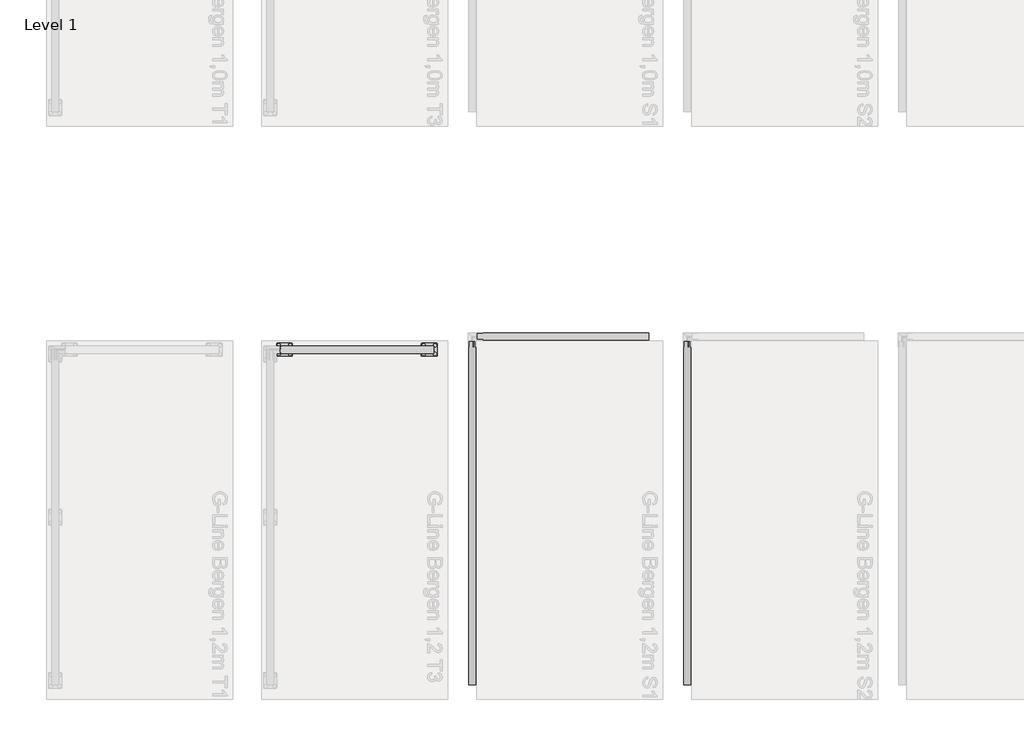
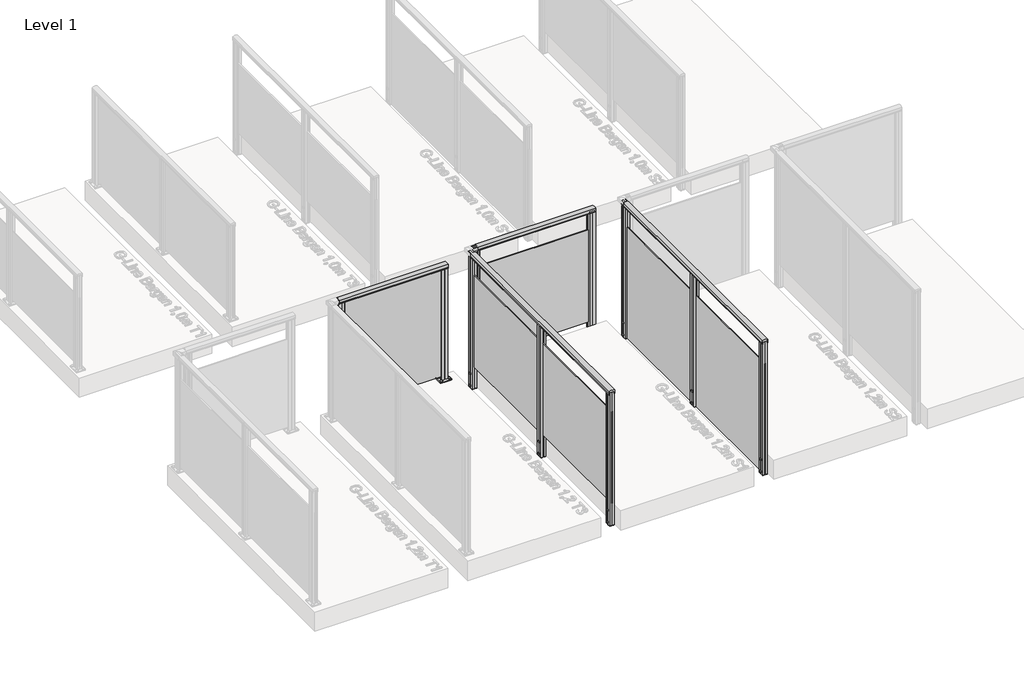
# One storey, part 3 of 13: 4 railings.
"""IFC4 building model written with IfcOpenShell, lengths in millimetres."""

from ifc_helpers import new_model, si_unit, point, frame, frame_2d, origin, origin_with_axes, place, context, project, spatial, polyline, circle_curve, trimmed, segment, composite_curve, outline, extrude, element, save

model = new_model("IFC4")

# Units and contexts
model_context = context("Model", 3, world=origin())
ifc_project = project(units=[si_unit("LENGTHUNIT", "METRE", prefix="MILLI")], contexts=[model_context])

# Site, building, storey
site = spatial("IfcSite", under=ifc_project)
building = spatial("IfcBuilding", under=site)
storey = spatial("IfcBuildingStorey", under=building, Name="Level 1", Elevation=0.0)

# Railings
placement = place(None, origin())
element("IfcRailing", 1, at=placement, inside=storey, context=model_context, shape_type="SweptSolid", body=[
    extrude(outline(composite_curve([segment(trimmed(circle_curve(frame_2d((-1700.3707264, 1142.6785502)), 57.3235687), [point((-1725.6256867, 1194.1390059))], [point((-1675.1060284, 1194.1342258))], False, "CARTESIAN"), True, "CONTINUOUS"), segment(polyline([(-1675.1060284, 1194.1342258), (-1675.1060284, 1167.0235023), (-1675.6879602, 1166.4415706), (-1675.0658791, 1165.8194895), (-1675.0658791, 1157.2498847), (-1676.870832, 1157.2498847), (-1676.870832, 1180.4998829), (-1723.8658782, 1180.4998829), (-1723.8658782, 1157.2498847), (-1725.6256867, 1157.2498847), (-1725.6256867, 1165.9694895), (-1725.0109037, 1166.5842725), (-1725.6256867, 1167.1990555), (-1725.6256867, 1194.1390059)]), True, "CONTINUOUS")], self_intersect=False)), frame((-4167.7109978, 0.0, 0.0), z_axis=(1.0, 0.0, 0.0), x_axis=(0.0, 1.0, 0.0)), (0.0, 0.0, 1.0), 1070.0),
    extrude(outline(polyline([(-3097.7109978, -1695.2659103), (-3097.7109978, -1704.0259103), (-4167.7109978, -1704.0259103), (-4167.7109978, -1695.2659103), (-3097.7109978, -1695.2659103)])), frame((0.0, 0.0, 40.0), z_axis=(0.0, 0.0, 1.0), x_axis=(1.0, 0.0, 0.0)), (0.0, 0.0, 1.0), 1140.0),
    extrude(outline(composite_curve([segment(trimmed(circle_curve(frame_2d((-4097.7109978, -1669.6459103)), 11.9621755), [point((-4097.7109978, -1657.6837349))], [point((-4097.7109978, -1681.6080858))], False, "CARTESIAN"), True, "CONTINUOUS"), segment(trimmed(circle_curve(frame_2d((-4097.7109978, -1669.6459103)), 11.9621755), [point((-4097.7109978, -1681.6080858))], [point((-4097.7109978, -1657.6837349))], False, "CARTESIAN"), True, "CONTINUOUS")], self_intersect=False)), frame((0.0, 0.0, 10.0), z_axis=(0.0, 0.0, 1.0), x_axis=(1.0, 0.0, 0.0)), (0.0, 0.0, 1.0), 5.0),
    extrude(outline(composite_curve([segment(trimmed(circle_curve(frame_2d((-4097.7109978, -1729.6459103)), 11.9621755), [point((-4097.7109978, -1717.6837349))], [point((-4097.7109978, -1741.6080858))], False, "CARTESIAN"), True, "CONTINUOUS"), segment(trimmed(circle_curve(frame_2d((-4097.7109978, -1729.6459103)), 11.9621755), [point((-4097.7109978, -1741.6080858))], [point((-4097.7109978, -1717.6837349))], False, "CARTESIAN"), True, "CONTINUOUS")], self_intersect=False)), frame((0.0, 0.0, 10.0), z_axis=(0.0, 0.0, 1.0), x_axis=(1.0, 0.0, 0.0)), (0.0, 0.0, 1.0), 5.0),
    extrude(outline(composite_curve([segment(trimmed(circle_curve(frame_2d((-4177.7109978, -1669.6459103)), 11.9621755), [point((-4177.7109978, -1657.6837349))], [point((-4177.7109978, -1681.6080858))], False, "CARTESIAN"), True, "CONTINUOUS"), segment(trimmed(circle_curve(frame_2d((-4177.7109978, -1669.6459103)), 11.9621755), [point((-4177.7109978, -1681.6080858))], [point((-4177.7109978, -1657.6837349))], False, "CARTESIAN"), True, "CONTINUOUS")], self_intersect=False)), frame((0.0, 0.0, 10.0), z_axis=(0.0, 0.0, 1.0), x_axis=(1.0, 0.0, 0.0)), (0.0, 0.0, 1.0), 5.0),
    extrude(outline(composite_curve([segment(trimmed(circle_curve(frame_2d((-4177.7109978, -1729.6459103)), 11.9621755), [point((-4177.7109978, -1717.6837349))], [point((-4177.7109978, -1741.6080858))], False, "CARTESIAN"), True, "CONTINUOUS"), segment(trimmed(circle_curve(frame_2d((-4177.7109978, -1729.6459103)), 11.9621755), [point((-4177.7109978, -1741.6080858))], [point((-4177.7109978, -1717.6837349))], False, "CARTESIAN"), True, "CONTINUOUS")], self_intersect=False)), frame((0.0, 0.0, 10.0), z_axis=(0.0, 0.0, 1.0), x_axis=(1.0, 0.0, 0.0)), (0.0, 0.0, 1.0), 5.0),
    extrude(outline(composite_curve([segment(trimmed(circle_curve(frame_2d((-4087.7109978, -1739.6459103)), 5.0), [point((-4082.7109978, -1739.6459103))], [point((-4087.7109978, -1744.6459103))], False, "CARTESIAN"), True, "CONTINUOUS"), segment(polyline([(-4087.7109978, -1744.6459103), (-4187.7109978, -1744.6459103)]), True, "CONTINUOUS"), segment(trimmed(circle_curve(frame_2d((-4187.7109978, -1739.6459103)), 5.0), [point((-4187.7109978, -1744.6459103))], [point((-4192.7109978, -1739.6459103))], False, "CARTESIAN"), True, "CONTINUOUS"), segment(polyline([(-4192.7109978, -1739.6459103), (-4192.7109978, -1659.6459103)]), True, "CONTINUOUS"), segment(trimmed(circle_curve(frame_2d((-4187.7109978, -1659.6459103)), 5.0), [point((-4192.7109978, -1659.6459103))], [point((-4187.7109978, -1654.6459103))], False, "CARTESIAN"), True, "CONTINUOUS"), segment(polyline([(-4187.7109978, -1654.6459103), (-4087.7109978, -1654.6459103)]), True, "CONTINUOUS"), segment(trimmed(circle_curve(frame_2d((-4087.7109978, -1659.6459103)), 5.0), [point((-4087.7109978, -1654.6459103))], [point((-4082.7109978, -1659.6459103))], False, "CARTESIAN"), True, "CONTINUOUS"), segment(polyline([(-4082.7109978, -1659.6459103), (-4082.7109978, -1739.6459103)]), True, "CONTINUOUS")], self_intersect=False), holes=[composite_curve([segment(trimmed(circle_curve(frame_2d((-4097.7109978, -1729.6459103)), 6.25), [point((-4097.7109978, -1723.3959103))], [point((-4097.7109978, -1735.8959103))], True, "CARTESIAN"), True, "CONTINUOUS"), segment(trimmed(circle_curve(frame_2d((-4097.7109978, -1729.6459103)), 6.25), [point((-4097.7109978, -1735.8959103))], [point((-4097.7109978, -1723.3959103))], True, "CARTESIAN"), True, "CONTINUOUS")], self_intersect=False), composite_curve([segment(trimmed(circle_curve(frame_2d((-4097.7109978, -1669.6459103)), 6.25), [point((-4097.7109978, -1663.3959103))], [point((-4097.7109978, -1675.8959103))], True, "CARTESIAN"), True, "CONTINUOUS"), segment(trimmed(circle_curve(frame_2d((-4097.7109978, -1669.6459103)), 6.25), [point((-4097.7109978, -1675.8959103))], [point((-4097.7109978, -1663.3959103))], True, "CARTESIAN"), True, "CONTINUOUS")], self_intersect=False), composite_curve([segment(trimmed(circle_curve(frame_2d((-4177.7109978, -1669.6459103)), 6.25), [point((-4177.7109978, -1663.3959103))], [point((-4177.7109978, -1675.8959103))], True, "CARTESIAN"), True, "CONTINUOUS"), segment(trimmed(circle_curve(frame_2d((-4177.7109978, -1669.6459103)), 6.25), [point((-4177.7109978, -1675.8959103))], [point((-4177.7109978, -1663.3959103))], True, "CARTESIAN"), True, "CONTINUOUS")], self_intersect=False), composite_curve([segment(trimmed(circle_curve(frame_2d((-4177.7109978, -1729.6459103)), 6.25), [point((-4177.7109978, -1723.3959103))], [point((-4177.7109978, -1735.8959103))], True, "CARTESIAN"), True, "CONTINUOUS"), segment(trimmed(circle_curve(frame_2d((-4177.7109978, -1729.6459103)), 6.25), [point((-4177.7109978, -1735.8959103))], [point((-4177.7109978, -1723.3959103))], True, "CARTESIAN"), True, "CONTINUOUS")], self_intersect=False)]), origin_with_axes(), (0.0, 0.0, 1.0), 10.0),
    extrude(outline(polyline([(-4167.7094047, -1695.3000484), (-4167.7120769, -1677.1550486), (-4138.7450899, -1677.1507826), (-4137.7166457, -1678.1789239), (-4136.7285472, -1677.1905343), (-4107.7120717, -1677.1862611), (-4107.7094054, -1695.2912122), (-4125.2094052, -1695.2937894), (-4125.2081151, -1704.0537893), (-4107.7081153, -1704.0512121), (-4107.7054505, -1722.1462119), (-4136.6724374, -1722.1504779), (-4137.7103053, -1721.2321455), (-4138.5884687, -1722.1105677), (-4167.7054557, -1722.1148557), (-4167.7081146, -1704.0600483), (-4150.2081148, -1704.0574711), (-4150.2094049, -1695.2974712), (-4167.7094047, -1695.3000484)]), holes=[polyline([(-4128.9117828, -1720.151926), (-4128.9117828, -1679.1493345), (-4146.5057446, -1679.1493345), (-4146.5057446, -1720.151926), (-4128.9117828, -1720.151926)]), polyline([(-4109.711783, -1693.2940398), (-4109.711783, -1679.1465069), (-4126.9096997, -1679.1465069), (-4126.9096997, -1693.2940398), (-4109.711783, -1693.2940398)]), polyline([(-4109.7078207, -1720.151926), (-4109.7078207, -1706.0515066), (-4126.9057444, -1706.0515066), (-4126.9057444, -1720.151926), (-4109.7078207, -1720.151926)]), polyline([(-4148.5117826, -1693.2997538), (-4148.5117826, -1679.152221), (-4165.7096993, -1679.152221), (-4165.7096993, -1693.2997538), (-4148.5117826, -1693.2997538)]), polyline([(-4148.5078203, -1720.2047536), (-4148.5078203, -1706.0572207), (-4165.705737, -1706.0572207), (-4165.705737, -1720.2047536), (-4148.5078203, -1720.2047536)])]), frame((0.0, 0.0, 10.0), z_axis=(0.0, 0.0, 1.0), x_axis=(1.0, 0.0, 0.0)), (0.0, 0.0, 1.0), 1171.0),
    extrude(outline(composite_curve([segment(trimmed(circle_curve(frame_2d((-3087.7109978, -1669.6459103)), 11.9621755), [point((-3087.7109978, -1657.6837349))], [point((-3087.7109978, -1681.6080858))], False, "CARTESIAN"), True, "CONTINUOUS"), segment(trimmed(circle_curve(frame_2d((-3087.7109978, -1669.6459103)), 11.9621755), [point((-3087.7109978, -1681.6080858))], [point((-3087.7109978, -1657.6837349))], False, "CARTESIAN"), True, "CONTINUOUS")], self_intersect=False)), frame((0.0, 0.0, 10.0), z_axis=(0.0, 0.0, 1.0), x_axis=(1.0, 0.0, 0.0)), (0.0, 0.0, 1.0), 5.0),
    extrude(outline(composite_curve([segment(trimmed(circle_curve(frame_2d((-3087.7109978, -1729.6459103)), 11.9621755), [point((-3087.7109978, -1717.6837349))], [point((-3087.7109978, -1741.6080858))], False, "CARTESIAN"), True, "CONTINUOUS"), segment(trimmed(circle_curve(frame_2d((-3087.7109978, -1729.6459103)), 11.9621755), [point((-3087.7109978, -1741.6080858))], [point((-3087.7109978, -1717.6837349))], False, "CARTESIAN"), True, "CONTINUOUS")], self_intersect=False)), frame((0.0, 0.0, 10.0), z_axis=(0.0, 0.0, 1.0), x_axis=(1.0, 0.0, 0.0)), (0.0, 0.0, 1.0), 5.0),
    extrude(outline(composite_curve([segment(trimmed(circle_curve(frame_2d((-3167.7109978, -1669.6459103)), 11.9621755), [point((-3167.7109978, -1657.6837349))], [point((-3167.7109978, -1681.6080858))], False, "CARTESIAN"), True, "CONTINUOUS"), segment(trimmed(circle_curve(frame_2d((-3167.7109978, -1669.6459103)), 11.9621755), [point((-3167.7109978, -1681.6080858))], [point((-3167.7109978, -1657.6837349))], False, "CARTESIAN"), True, "CONTINUOUS")], self_intersect=False)), frame((0.0, 0.0, 10.0), z_axis=(0.0, 0.0, 1.0), x_axis=(1.0, 0.0, 0.0)), (0.0, 0.0, 1.0), 5.0),
    extrude(outline(composite_curve([segment(trimmed(circle_curve(frame_2d((-3167.7109978, -1729.6459103)), 11.9621755), [point((-3167.7109978, -1717.6837349))], [point((-3167.7109978, -1741.6080858))], False, "CARTESIAN"), True, "CONTINUOUS"), segment(trimmed(circle_curve(frame_2d((-3167.7109978, -1729.6459103)), 11.9621755), [point((-3167.7109978, -1741.6080858))], [point((-3167.7109978, -1717.6837349))], False, "CARTESIAN"), True, "CONTINUOUS")], self_intersect=False)), frame((0.0, 0.0, 10.0), z_axis=(0.0, 0.0, 1.0), x_axis=(1.0, 0.0, 0.0)), (0.0, 0.0, 1.0), 5.0),
    extrude(outline(composite_curve([segment(trimmed(circle_curve(frame_2d((-3077.7109978, -1739.6459103)), 5.0), [point((-3072.7109978, -1739.6459103))], [point((-3077.7109978, -1744.6459103))], False, "CARTESIAN"), True, "CONTINUOUS"), segment(polyline([(-3077.7109978, -1744.6459103), (-3177.7109978, -1744.6459103)]), True, "CONTINUOUS"), segment(trimmed(circle_curve(frame_2d((-3177.7109978, -1739.6459103)), 5.0), [point((-3177.7109978, -1744.6459103))], [point((-3182.7109978, -1739.6459103))], False, "CARTESIAN"), True, "CONTINUOUS"), segment(polyline([(-3182.7109978, -1739.6459103), (-3182.7109978, -1659.6459103)]), True, "CONTINUOUS"), segment(trimmed(circle_curve(frame_2d((-3177.7109978, -1659.6459103)), 5.0), [point((-3182.7109978, -1659.6459103))], [point((-3177.7109978, -1654.6459103))], False, "CARTESIAN"), True, "CONTINUOUS"), segment(polyline([(-3177.7109978, -1654.6459103), (-3077.7109978, -1654.6459103)]), True, "CONTINUOUS"), segment(trimmed(circle_curve(frame_2d((-3077.7109978, -1659.6459103)), 5.0), [point((-3077.7109978, -1654.6459103))], [point((-3072.7109978, -1659.6459103))], False, "CARTESIAN"), True, "CONTINUOUS"), segment(polyline([(-3072.7109978, -1659.6459103), (-3072.7109978, -1739.6459103)]), True, "CONTINUOUS")], self_intersect=False), holes=[composite_curve([segment(trimmed(circle_curve(frame_2d((-3087.7109978, -1729.6459103)), 6.25), [point((-3087.7109978, -1723.3959103))], [point((-3087.7109978, -1735.8959103))], True, "CARTESIAN"), True, "CONTINUOUS"), segment(trimmed(circle_curve(frame_2d((-3087.7109978, -1729.6459103)), 6.25), [point((-3087.7109978, -1735.8959103))], [point((-3087.7109978, -1723.3959103))], True, "CARTESIAN"), True, "CONTINUOUS")], self_intersect=False), composite_curve([segment(trimmed(circle_curve(frame_2d((-3087.7109978, -1669.6459103)), 6.25), [point((-3087.7109978, -1663.3959103))], [point((-3087.7109978, -1675.8959103))], True, "CARTESIAN"), True, "CONTINUOUS"), segment(trimmed(circle_curve(frame_2d((-3087.7109978, -1669.6459103)), 6.25), [point((-3087.7109978, -1675.8959103))], [point((-3087.7109978, -1663.3959103))], True, "CARTESIAN"), True, "CONTINUOUS")], self_intersect=False), composite_curve([segment(trimmed(circle_curve(frame_2d((-3167.7109978, -1669.6459103)), 6.25), [point((-3167.7109978, -1663.3959103))], [point((-3167.7109978, -1675.8959103))], True, "CARTESIAN"), True, "CONTINUOUS"), segment(trimmed(circle_curve(frame_2d((-3167.7109978, -1669.6459103)), 6.25), [point((-3167.7109978, -1675.8959103))], [point((-3167.7109978, -1663.3959103))], True, "CARTESIAN"), True, "CONTINUOUS")], self_intersect=False), composite_curve([segment(trimmed(circle_curve(frame_2d((-3167.7109978, -1729.6459103)), 6.25), [point((-3167.7109978, -1723.3959103))], [point((-3167.7109978, -1735.8959103))], True, "CARTESIAN"), True, "CONTINUOUS"), segment(trimmed(circle_curve(frame_2d((-3167.7109978, -1729.6459103)), 6.25), [point((-3167.7109978, -1735.8959103))], [point((-3167.7109978, -1723.3959103))], True, "CARTESIAN"), True, "CONTINUOUS")], self_intersect=False)]), origin_with_axes(), (0.0, 0.0, 1.0), 10.0),
    extrude(outline(polyline([(-3157.7094047, -1695.3000484), (-3157.7120769, -1677.1550486), (-3128.7450899, -1677.1507826), (-3127.7166457, -1678.1789239), (-3126.7285472, -1677.1905343), (-3097.7120717, -1677.1862611), (-3097.7094054, -1695.2912122), (-3115.2094052, -1695.2937894), (-3115.2081151, -1704.0537893), (-3097.7081153, -1704.0512121), (-3097.7054505, -1722.1462119), (-3126.6724374, -1722.1504779), (-3127.7103053, -1721.2321455), (-3128.5884687, -1722.1105677), (-3157.7054557, -1722.1148557), (-3157.7081146, -1704.0600483), (-3140.2081148, -1704.0574711), (-3140.2094049, -1695.2974712), (-3157.7094047, -1695.3000484)]), holes=[polyline([(-3118.9117828, -1720.151926), (-3118.9117828, -1679.1493345), (-3136.5057446, -1679.1493345), (-3136.5057446, -1720.151926), (-3118.9117828, -1720.151926)]), polyline([(-3099.711783, -1693.2940398), (-3099.711783, -1679.1465069), (-3116.9096997, -1679.1465069), (-3116.9096997, -1693.2940398), (-3099.711783, -1693.2940398)]), polyline([(-3099.7078207, -1720.151926), (-3099.7078207, -1706.0515066), (-3116.9057444, -1706.0515066), (-3116.9057444, -1720.151926), (-3099.7078207, -1720.151926)]), polyline([(-3138.5117826, -1693.2997538), (-3138.5117826, -1679.152221), (-3155.7096993, -1679.152221), (-3155.7096993, -1693.2997538), (-3138.5117826, -1693.2997538)]), polyline([(-3138.5078203, -1720.2047536), (-3138.5078203, -1706.0572207), (-3155.705737, -1706.0572207), (-3155.705737, -1720.2047536), (-3138.5078203, -1720.2047536)])]), frame((0.0, 0.0, 10.0), z_axis=(0.0, 0.0, 1.0), x_axis=(1.0, 0.0, 0.0)), (0.0, 0.0, 1.0), 1171.0),
])
element("IfcRailing", 2, at=placement, inside=storey, context=model_context, shape_type="SweptSolid", body=[
    extrude(outline(composite_curve([segment(trimmed(circle_curve(frame_2d((-1608.9305341, 1142.6785502)), 57.3235687), [point((-1634.1854943, 1194.1390059))], [point((-1583.6658361, 1194.1342258))], False, "CARTESIAN"), True, "CONTINUOUS"), segment(polyline([(-1583.6658361, 1194.1342258), (-1583.6658361, 1167.0235023), (-1584.2477678, 1166.4415706), (-1583.6256867, 1165.8194895), (-1583.6256867, 1157.2498847), (-1585.4306396, 1157.2498847), (-1585.4306396, 1180.4998829), (-1632.4256858, 1180.4998829), (-1632.4256858, 1157.2498847), (-1634.1854943, 1157.2498847), (-1634.1854943, 1165.9694895), (-1633.5707113, 1166.5842725), (-1634.1854943, 1167.1990555), (-1634.1854943, 1194.1390059)]), True, "CONTINUOUS")], self_intersect=False)), frame((-2792.7109978, 0.0, 0.0), z_axis=(1.0, 0.0, 0.0), x_axis=(0.0, 1.0, 0.0)), (0.0, 0.0, 1.0), 1195.0),
    extrude(outline(polyline([(-1597.7109978, -1605.2659103), (-1597.7109978, -1614.0259103), (-2792.7109978, -1614.0259103), (-2792.7109978, -1605.2659103), (-1597.7109978, -1605.2659103)])), frame((0.0, 0.0, 28.0), z_axis=(0.0, 0.0, 1.0), x_axis=(1.0, 0.0, 0.0)), (0.0, 0.0, 1.0), 952.0),
    extrude(outline(polyline([(-2792.7094047, -1613.9917723), (-2775.2094049, -1613.9943495), (-2775.2081148, -1605.2343496), (-2792.7081146, -1605.2317724), (-2792.7054557, -1587.176965), (-2763.5884687, -1587.181253), (-2762.7103053, -1588.0596751), (-2761.6724374, -1587.1413428), (-2732.7054505, -1587.1456087), (-2732.7081153, -1605.2406085), (-2750.2081151, -1605.2380313), (-2750.2094052, -1613.9980312), (-2732.7094054, -1614.0006084), (-2732.7120717, -1632.1055595), (-2761.7285472, -1632.1012863), (-2762.7166457, -1631.1128967), (-2763.7450899, -1632.141038), (-2792.7120769, -1632.1367721), (-2792.7094047, -1613.9917723)]), holes=[polyline([(-2753.9117828, -1589.1398947), (-2771.5057446, -1589.1398947), (-2771.5057446, -1630.1424862), (-2753.9117828, -1630.1424862), (-2753.9117828, -1589.1398947)]), polyline([(-2734.711783, -1615.9977809), (-2751.9096997, -1615.9977809), (-2751.9096997, -1630.1453137), (-2734.711783, -1630.1453137), (-2734.711783, -1615.9977809)]), polyline([(-2734.7078207, -1589.1398947), (-2751.9057444, -1589.1398947), (-2751.9057444, -1603.240314), (-2734.7078207, -1603.240314), (-2734.7078207, -1589.1398947)]), polyline([(-2773.5117826, -1615.9920668), (-2790.7096993, -1615.9920668), (-2790.7096993, -1630.1395997), (-2773.5117826, -1630.1395997), (-2773.5117826, -1615.9920668)]), polyline([(-2773.5078203, -1589.0870671), (-2790.705737, -1589.0870671), (-2790.705737, -1603.2346), (-2773.5078203, -1603.2346), (-2773.5078203, -1589.0870671)])]), frame((0.0, 0.0, -200.0), z_axis=(0.0, 0.0, 1.0), x_axis=(1.0, 0.0, 0.0)), (0.0, 0.0, 1.0), 1381.0),
    extrude(outline(polyline([(-2792.7094047, -1613.9917723), (-2775.2094049, -1613.9943495), (-2775.2081148, -1605.2343496), (-2792.7081146, -1605.2317724), (-2792.7054557, -1587.176965), (-2763.5884687, -1587.181253), (-2762.7103053, -1588.0596751), (-2761.6724374, -1587.1413428), (-2732.7054505, -1587.1456087), (-2732.7081153, -1605.2406085), (-2750.2081151, -1605.2380313), (-2750.2094052, -1613.9980312), (-2732.7094054, -1614.0006084), (-2732.7120717, -1632.1055595), (-2761.7285472, -1632.1012863), (-2762.7166457, -1631.1128967), (-2763.7450899, -1632.141038), (-2792.7120769, -1632.1367721), (-2792.7094047, -1613.9917723)])), frame((0.0, 0.0, -202.0233958), z_axis=(0.0, 0.0, 1.0), x_axis=(1.0, 0.0, 0.0)), (0.0, 0.0, 1.0), 2.0),
    extrude(outline(composite_curve([segment(trimmed(circle_curve(frame_2d((0.0, 12.0)), 12.0), [point((0.0, 24.0))], [point((0.0, 0.0))], False, "CARTESIAN"), True, "CONTINUOUS"), segment(trimmed(circle_curve(frame_2d((0.0, 12.0)), 12.0), [point((0.0, 0.0))], [point((0.0, 24.0))], False, "CARTESIAN"), True, "CONTINUOUS")], self_intersect=False)), frame((-2750.7019602, -1587.1864452, -175.0), z_axis=(0.00040291834470155966, 0.9999999188284006, 0.0), x_axis=(0.0, 0.0, -1.0)), (0.0, 0.0, 1.0), 3.0757477),
    extrude(outline(composite_curve([segment(trimmed(circle_curve(frame_2d((0.0, 12.0)), 12.0), [point((0.0, 24.0))], [point((0.0, 0.0))], False, "CARTESIAN"), True, "CONTINUOUS"), segment(trimmed(circle_curve(frame_2d((0.0, 12.0)), 12.0), [point((0.0, 0.0))], [point((0.0, 24.0))], False, "CARTESIAN"), True, "CONTINUOUS")], self_intersect=False)), frame((-2750.7019602, -1587.1864452, -50.0), z_axis=(0.00040291834470155966, 0.9999999188284006, 0.0), x_axis=(0.0, 0.0, -1.0)), (0.0, 0.0, 1.0), 3.0757477),
    extrude(outline(polyline([(-1657.7094047, -1613.9917723), (-1640.2094049, -1613.9943495), (-1640.2081148, -1605.2343496), (-1657.7081146, -1605.2317724), (-1657.7054557, -1587.176965), (-1628.5884687, -1587.181253), (-1627.7103053, -1588.0596751), (-1626.6724374, -1587.1413428), (-1597.7054505, -1587.1456087), (-1597.7081153, -1605.2406085), (-1615.2081151, -1605.2380313), (-1615.2094052, -1613.9980312), (-1597.7094054, -1614.0006084), (-1597.7120717, -1632.1055595), (-1626.7285472, -1632.1012863), (-1627.7166457, -1631.1128967), (-1628.7450899, -1632.141038), (-1657.7120769, -1632.1367721), (-1657.7094047, -1613.9917723)]), holes=[polyline([(-1618.9117828, -1589.1398947), (-1636.5057446, -1589.1398947), (-1636.5057446, -1630.1424862), (-1618.9117828, -1630.1424862), (-1618.9117828, -1589.1398947)]), polyline([(-1599.711783, -1615.9977809), (-1616.9096997, -1615.9977809), (-1616.9096997, -1630.1453137), (-1599.711783, -1630.1453137), (-1599.711783, -1615.9977809)]), polyline([(-1599.7078207, -1589.1398947), (-1616.9057444, -1589.1398947), (-1616.9057444, -1603.240314), (-1599.7078207, -1603.240314), (-1599.7078207, -1589.1398947)]), polyline([(-1638.5117826, -1615.9920668), (-1655.7096993, -1615.9920668), (-1655.7096993, -1630.1395997), (-1638.5117826, -1630.1395997), (-1638.5117826, -1615.9920668)]), polyline([(-1638.5078203, -1589.0870671), (-1655.705737, -1589.0870671), (-1655.705737, -1603.2346), (-1638.5078203, -1603.2346), (-1638.5078203, -1589.0870671)])]), frame((0.0, 0.0, -200.0), z_axis=(0.0, 0.0, 1.0), x_axis=(1.0, 0.0, 0.0)), (0.0, 0.0, 1.0), 1381.0),
    extrude(outline(polyline([(-1657.7094047, -1613.9917723), (-1640.2094049, -1613.9943495), (-1640.2081148, -1605.2343496), (-1657.7081146, -1605.2317724), (-1657.7054557, -1587.176965), (-1628.5884687, -1587.181253), (-1627.7103053, -1588.0596751), (-1626.6724374, -1587.1413428), (-1597.7054505, -1587.1456087), (-1597.7081153, -1605.2406085), (-1615.2081151, -1605.2380313), (-1615.2094052, -1613.9980312), (-1597.7094054, -1614.0006084), (-1597.7120717, -1632.1055595), (-1626.7285472, -1632.1012863), (-1627.7166457, -1631.1128967), (-1628.7450899, -1632.141038), (-1657.7120769, -1632.1367721), (-1657.7094047, -1613.9917723)])), frame((0.0, 0.0, -202.0233958), z_axis=(0.0, 0.0, 1.0), x_axis=(1.0, 0.0, 0.0)), (0.0, 0.0, 1.0), 2.0),
    extrude(outline(composite_curve([segment(trimmed(circle_curve(frame_2d((0.0, 12.0)), 12.0), [point((0.0, 24.0))], [point((0.0, 0.0))], False, "CARTESIAN"), True, "CONTINUOUS"), segment(trimmed(circle_curve(frame_2d((0.0, 12.0)), 12.0), [point((0.0, 0.0))], [point((0.0, 24.0))], False, "CARTESIAN"), True, "CONTINUOUS")], self_intersect=False)), frame((-1615.7019602, -1587.1864452, -175.0), z_axis=(0.00040291834470155966, 0.9999999188284006, 0.0), x_axis=(0.0, 0.0, -1.0)), (0.0, 0.0, 1.0), 3.0757477),
    extrude(outline(composite_curve([segment(trimmed(circle_curve(frame_2d((0.0, 12.0)), 12.0), [point((0.0, 24.0))], [point((0.0, 0.0))], False, "CARTESIAN"), True, "CONTINUOUS"), segment(trimmed(circle_curve(frame_2d((0.0, 12.0)), 12.0), [point((0.0, 0.0))], [point((0.0, 24.0))], False, "CARTESIAN"), True, "CONTINUOUS")], self_intersect=False)), frame((-1615.7019602, -1587.1864452, -50.0), z_axis=(0.00040291834470155966, 0.9999999188284006, 0.0), x_axis=(0.0, 0.0, -1.0)), (0.0, 0.0, 1.0), 3.0757477),
])
element("IfcRailing", 3, at=placement, inside=storey, context=model_context, shape_type="SweptSolid", body=[
    extrude(outline(composite_curve([segment(trimmed(circle_curve(frame_2d((57.3214498, -0.0047199)), 57.3235687), [point((5.8609941, -25.2596802))], [point((5.8657742, 25.2599781))], False, "CARTESIAN"), True, "CONTINUOUS"), segment(polyline([(5.8657742, 25.2599781), (32.9764977, 25.2599781), (33.5584294, 24.6780463), (34.1805105, 25.3001274), (42.7501153, 25.3001274), (42.7501153, 23.4951745), (19.5001171, 23.4951745), (19.5001171, -23.4998716), (42.7501153, -23.4998716), (42.7501153, -25.2596802), (34.0305105, -25.2596802), (33.4157275, -24.6448972), (32.8009445, -25.2596802), (5.8609941, -25.2596802)]), True, "CONTINUOUS")], self_intersect=False)), frame((-2828.431094, -4039.6459103, 1200.0), z_axis=(1.9358301858992035e-12, 1.0, 0.0), x_axis=(0.0, 0.0, -1.0)), (0.0, 0.0, 1.0), 2395.0),
    extrude(outline(polyline([(-2832.0909978, -1644.6459103), (-2823.3309978, -1644.6459103), (-2823.3309978, -4039.6459103), (-2832.0909978, -4039.6459103), (-2832.0909978, -1644.6459103)])), frame((0.0, 0.0, 28.0), z_axis=(0.0, 0.0, 1.0), x_axis=(1.0, 0.0, 0.0)), (0.0, 0.0, 1.0), 952.0),
    extrude(outline(polyline([(-2823.3651358, -2872.1443172), (-2823.3625586, -2854.6443174), (-2832.1225585, -2854.6430273), (-2832.1251357, -2872.1430272), (-2850.1799432, -2872.1403682), (-2850.1756551, -2843.0233813), (-2849.297233, -2842.1452178), (-2850.2155653, -2841.10735), (-2850.2112994, -2812.140363), (-2832.1162996, -2812.1430278), (-2832.1188768, -2829.6430276), (-2823.3588769, -2829.6443177), (-2823.3562997, -2812.1443179), (-2805.2513486, -2812.1469842), (-2805.2556218, -2841.1634597), (-2806.2440114, -2842.1515582), (-2805.2158701, -2843.1800024), (-2805.220136, -2872.1469894), (-2823.3651358, -2872.1443172)]), holes=[polyline([(-2848.2170135, -2833.3466953), (-2848.2170135, -2850.9406571), (-2807.214422, -2850.9406571), (-2807.214422, -2833.3466953), (-2848.2170135, -2833.3466953)]), polyline([(-2821.3591273, -2814.1466955), (-2821.3591273, -2831.3446122), (-2807.2115944, -2831.3446122), (-2807.2115944, -2814.1466955), (-2821.3591273, -2814.1466955)]), polyline([(-2848.2170135, -2814.1427333), (-2848.2170135, -2831.3406569), (-2834.1165941, -2831.3406569), (-2834.1165941, -2814.1427333), (-2848.2170135, -2814.1427333)]), polyline([(-2821.3648413, -2852.9466951), (-2821.3648413, -2870.1446118), (-2807.2173084, -2870.1446118), (-2807.2173084, -2852.9466951), (-2821.3648413, -2852.9466951)]), polyline([(-2848.269841, -2852.9427328), (-2848.269841, -2870.1406495), (-2834.1223082, -2870.1406495), (-2834.1223082, -2852.9427328), (-2848.269841, -2852.9427328)])]), frame((0.0, 0.0, -200.0), z_axis=(0.0, 0.0, 1.0), x_axis=(1.0, 0.0, 0.0)), (0.0, 0.0, 1.0), 1381.0),
    extrude(outline(polyline([(-2823.3651358, -2872.1443172), (-2823.3625586, -2854.6443174), (-2832.1225585, -2854.6430273), (-2832.1251357, -2872.1430272), (-2850.1799432, -2872.1403682), (-2850.1756551, -2843.0233813), (-2849.297233, -2842.1452178), (-2850.2155653, -2841.10735), (-2850.2112994, -2812.140363), (-2832.1162996, -2812.1430278), (-2832.1188768, -2829.6430276), (-2823.3588769, -2829.6443177), (-2823.3562997, -2812.1443179), (-2805.2513486, -2812.1469842), (-2805.2556218, -2841.1634597), (-2806.2440114, -2842.1515582), (-2805.2158701, -2843.1800024), (-2805.220136, -2872.1469894), (-2823.3651358, -2872.1443172)])), frame((0.0, 0.0, -202.0233958), z_axis=(0.0, 0.0, 1.0), x_axis=(1.0, 0.0, 0.0)), (0.0, 0.0, 1.0), 2.0),
    extrude(outline(composite_curve([segment(trimmed(circle_curve(frame_2d((0.0, 12.0000001)), 12.0), [point((0.0, 24.0))], [point((0.0, 0.0))], False, "CARTESIAN"), True, "CONTINUOUS"), segment(trimmed(circle_curve(frame_2d((0.0, 12.0000001)), 12.0), [point((0.0, 0.0))], [point((0.0, 24.0))], False, "CARTESIAN"), True, "CONTINUOUS")], self_intersect=False)), frame((-2850.1704629, -2830.1368727, -175.0), z_axis=(-0.9999999188283998, 0.0004029183466235713, 0.0), x_axis=(0.0, 0.0, -1.0)), (0.0, 0.0, 1.0), 3.0757477),
    extrude(outline(composite_curve([segment(trimmed(circle_curve(frame_2d((0.0, 12.0000001)), 12.0), [point((0.0, 24.0))], [point((0.0, 0.0))], False, "CARTESIAN"), True, "CONTINUOUS"), segment(trimmed(circle_curve(frame_2d((0.0, 12.0000001)), 12.0), [point((0.0, 0.0))], [point((0.0, 24.0))], False, "CARTESIAN"), True, "CONTINUOUS")], self_intersect=False)), frame((-2850.1704629, -2830.1368727, -50.0), z_axis=(-0.9999999188283998, 0.0004029183466235713, 0.0), x_axis=(0.0, 0.0, -1.0)), (0.0, 0.0, 1.0), 3.0757477),
    extrude(outline(polyline([(-2823.3651358, -4039.6443172), (-2823.3625586, -4022.1443174), (-2832.1225585, -4022.1430273), (-2832.1251357, -4039.6430272), (-2850.1799432, -4039.6403682), (-2850.1756551, -4010.5233813), (-2849.297233, -4009.6452178), (-2850.2155653, -4008.60735), (-2850.2112994, -3979.640363), (-2832.1162996, -3979.6430278), (-2832.1188768, -3997.1430276), (-2823.3588769, -3997.1443177), (-2823.3562997, -3979.6443179), (-2805.2513486, -3979.6469842), (-2805.2556218, -4008.6634597), (-2806.2440114, -4009.6515582), (-2805.2158701, -4010.6800024), (-2805.220136, -4039.6469894), (-2823.3651358, -4039.6443172)]), holes=[polyline([(-2848.2170135, -4000.8466953), (-2848.2170135, -4018.4406571), (-2807.214422, -4018.4406571), (-2807.214422, -4000.8466953), (-2848.2170135, -4000.8466953)]), polyline([(-2821.3591273, -3981.6466955), (-2821.3591273, -3998.8446122), (-2807.2115944, -3998.8446122), (-2807.2115944, -3981.6466955), (-2821.3591273, -3981.6466955)]), polyline([(-2848.2170135, -3981.6427333), (-2848.2170135, -3998.8406569), (-2834.1165941, -3998.8406569), (-2834.1165941, -3981.6427333), (-2848.2170135, -3981.6427333)]), polyline([(-2821.3648413, -4020.4466951), (-2821.3648413, -4037.6446118), (-2807.2173084, -4037.6446118), (-2807.2173084, -4020.4466951), (-2821.3648413, -4020.4466951)]), polyline([(-2848.269841, -4020.4427328), (-2848.269841, -4037.6406495), (-2834.1223082, -4037.6406495), (-2834.1223082, -4020.4427328), (-2848.269841, -4020.4427328)])]), frame((0.0, 0.0, -200.0), z_axis=(0.0, 0.0, 1.0), x_axis=(1.0, 0.0, 0.0)), (0.0, 0.0, 1.0), 1381.0),
    extrude(outline(polyline([(-2823.3651358, -4039.6443172), (-2823.3625586, -4022.1443174), (-2832.1225585, -4022.1430273), (-2832.1251357, -4039.6430272), (-2850.1799432, -4039.6403682), (-2850.1756551, -4010.5233813), (-2849.297233, -4009.6452178), (-2850.2155653, -4008.60735), (-2850.2112994, -3979.640363), (-2832.1162996, -3979.6430278), (-2832.1188768, -3997.1430276), (-2823.3588769, -3997.1443177), (-2823.3562997, -3979.6443179), (-2805.2513486, -3979.6469842), (-2805.2556218, -4008.6634597), (-2806.2440114, -4009.6515582), (-2805.2158701, -4010.6800024), (-2805.220136, -4039.6469894), (-2823.3651358, -4039.6443172)])), frame((0.0, 0.0, -202.0233958), z_axis=(0.0, 0.0, 1.0), x_axis=(1.0, 0.0, 0.0)), (0.0, 0.0, 1.0), 2.0),
    extrude(outline(composite_curve([segment(trimmed(circle_curve(frame_2d((0.0, 12.0000001)), 12.0), [point((0.0, 24.0))], [point((0.0, 0.0))], False, "CARTESIAN"), True, "CONTINUOUS"), segment(trimmed(circle_curve(frame_2d((0.0, 12.0000001)), 12.0), [point((0.0, 0.0))], [point((0.0, 24.0))], False, "CARTESIAN"), True, "CONTINUOUS")], self_intersect=False)), frame((-2850.1704629, -3997.6368727, -175.0), z_axis=(-0.9999999188283998, 0.0004029183466235713, 0.0), x_axis=(0.0, 0.0, -1.0)), (0.0, 0.0, 1.0), 3.0757477),
    extrude(outline(composite_curve([segment(trimmed(circle_curve(frame_2d((0.0, 12.0000001)), 12.0), [point((0.0, 24.0))], [point((0.0, 0.0))], False, "CARTESIAN"), True, "CONTINUOUS"), segment(trimmed(circle_curve(frame_2d((0.0, 12.0000001)), 12.0), [point((0.0, 0.0))], [point((0.0, 24.0))], False, "CARTESIAN"), True, "CONTINUOUS")], self_intersect=False)), frame((-2850.1704629, -3997.6368727, -50.0), z_axis=(-0.9999999188283998, 0.0004029183466235713, 0.0), x_axis=(0.0, 0.0, -1.0)), (0.0, 0.0, 1.0), 3.0757477),
    extrude(outline(polyline([(-2823.3651358, -1704.6443172), (-2823.3625586, -1687.1443174), (-2832.1225585, -1687.1430273), (-2832.1251357, -1704.6430272), (-2850.1799432, -1704.6403682), (-2850.1756551, -1675.5233813), (-2849.297233, -1674.6452178), (-2850.2155653, -1673.60735), (-2850.2112994, -1644.640363), (-2832.1162996, -1644.6430278), (-2832.1188768, -1662.1430276), (-2823.3588769, -1662.1443177), (-2823.3562997, -1644.6443179), (-2805.2513486, -1644.6469842), (-2805.2556218, -1673.6634597), (-2806.2440114, -1674.6515582), (-2805.2158701, -1675.6800024), (-2805.220136, -1704.6469894), (-2823.3651358, -1704.6443172)]), holes=[polyline([(-2848.2170135, -1665.8466953), (-2848.2170135, -1683.4406571), (-2807.214422, -1683.4406571), (-2807.214422, -1665.8466953), (-2848.2170135, -1665.8466953)]), polyline([(-2821.3591273, -1646.6466955), (-2821.3591273, -1663.8446122), (-2807.2115944, -1663.8446122), (-2807.2115944, -1646.6466955), (-2821.3591273, -1646.6466955)]), polyline([(-2848.2170135, -1646.6427333), (-2848.2170135, -1663.8406569), (-2834.1165941, -1663.8406569), (-2834.1165941, -1646.6427333), (-2848.2170135, -1646.6427333)]), polyline([(-2821.3648413, -1685.4466951), (-2821.3648413, -1702.6446118), (-2807.2173084, -1702.6446118), (-2807.2173084, -1685.4466951), (-2821.3648413, -1685.4466951)]), polyline([(-2848.269841, -1685.4427328), (-2848.269841, -1702.6406495), (-2834.1223082, -1702.6406495), (-2834.1223082, -1685.4427328), (-2848.269841, -1685.4427328)])]), frame((0.0, 0.0, -200.0), z_axis=(0.0, 0.0, 1.0), x_axis=(1.0, 0.0, 0.0)), (0.0, 0.0, 1.0), 1381.0),
    extrude(outline(polyline([(-2823.3651358, -1704.6443172), (-2823.3625586, -1687.1443174), (-2832.1225585, -1687.1430273), (-2832.1251357, -1704.6430272), (-2850.1799432, -1704.6403682), (-2850.1756551, -1675.5233813), (-2849.297233, -1674.6452178), (-2850.2155653, -1673.60735), (-2850.2112994, -1644.640363), (-2832.1162996, -1644.6430278), (-2832.1188768, -1662.1430276), (-2823.3588769, -1662.1443177), (-2823.3562997, -1644.6443179), (-2805.2513486, -1644.6469842), (-2805.2556218, -1673.6634597), (-2806.2440114, -1674.6515582), (-2805.2158701, -1675.6800024), (-2805.220136, -1704.6469894), (-2823.3651358, -1704.6443172)])), frame((0.0, 0.0, -202.0233958), z_axis=(0.0, 0.0, 1.0), x_axis=(1.0, 0.0, 0.0)), (0.0, 0.0, 1.0), 2.0),
    extrude(outline(composite_curve([segment(trimmed(circle_curve(frame_2d((0.0, 12.0000001)), 12.0), [point((0.0, 24.0))], [point((0.0, 0.0))], False, "CARTESIAN"), True, "CONTINUOUS"), segment(trimmed(circle_curve(frame_2d((0.0, 12.0000001)), 12.0), [point((0.0, 0.0))], [point((0.0, 24.0))], False, "CARTESIAN"), True, "CONTINUOUS")], self_intersect=False)), frame((-2850.1704629, -1662.6368727, -175.0), z_axis=(-0.9999999188283998, 0.0004029183466235713, 0.0), x_axis=(0.0, 0.0, -1.0)), (0.0, 0.0, 1.0), 3.0757477),
    extrude(outline(composite_curve([segment(trimmed(circle_curve(frame_2d((0.0, 12.0000001)), 12.0), [point((0.0, 24.0))], [point((0.0, 0.0))], False, "CARTESIAN"), True, "CONTINUOUS"), segment(trimmed(circle_curve(frame_2d((0.0, 12.0000001)), 12.0), [point((0.0, 0.0))], [point((0.0, 24.0))], False, "CARTESIAN"), True, "CONTINUOUS")], self_intersect=False)), frame((-2850.1704629, -1662.6368727, -50.0), z_axis=(-0.9999999188283998, 0.0004029183466235713, 0.0), x_axis=(0.0, 0.0, -1.0)), (0.0, 0.0, 1.0), 3.0757477),
])
element("IfcRailing", 4, at=placement, inside=storey, context=model_context, shape_type="SweptSolid", body=[
    extrude(outline(composite_curve([segment(trimmed(circle_curve(frame_2d((57.3214498, -0.0047199)), 57.3235687), [point((5.8609941, -25.2596802))], [point((5.8657742, 25.2599781))], False, "CARTESIAN"), True, "CONTINUOUS"), segment(polyline([(5.8657742, 25.2599781), (32.9764977, 25.2599781), (33.5584294, 24.6780463), (34.1805105, 25.3001274), (42.7501153, 25.3001274), (42.7501153, 23.4951745), (19.5001171, 23.4951745), (19.5001171, -23.4998716), (42.7501153, -23.4998716), (42.7501153, -25.2596802), (34.0305105, -25.2596802), (33.4157275, -24.6448972), (32.8009445, -25.2596802), (5.8609941, -25.2596802)]), True, "CONTINUOUS")], self_intersect=False)), frame((-1328.431094, -4039.6459103, 1200.0), z_axis=(1.9358301858992035e-12, 1.0, 0.0), x_axis=(0.0, 0.0, -1.0)), (0.0, 0.0, 1.0), 2395.0),
    extrude(outline(polyline([(-1328.6066149, -1644.6459103), (-1326.742932, -1644.6459103), (-1326.742932, -4039.6459103), (-1328.6066149, -4039.6459103), (-1328.6066149, -1644.6459103)])), frame((0.0, 0.0, -200.0), z_axis=(0.0, 0.0, 1.0), x_axis=(1.0, 0.0, 0.0)), (0.0, 0.0, 1.0), 1.1703418),
    extrude(outline(polyline([(-1332.0909978, -1644.6459103), (-1323.3309978, -1644.6459103), (-1323.3309978, -4039.6459103), (-1332.0909978, -4039.6459103), (-1332.0909978, -1644.6459103)])), frame((0.0, 0.0, -200.0), z_axis=(0.0, 0.0, 1.0), x_axis=(1.0, 0.0, 0.0)), (0.0, 0.0, 1.0), 1150.0),
    extrude(outline(polyline([(-1323.3651358, -2872.1443172), (-1323.3625586, -2854.6443174), (-1332.1225585, -2854.6430273), (-1332.1251357, -2872.1430272), (-1350.1799432, -2872.1403682), (-1350.1756551, -2843.0233813), (-1349.297233, -2842.1452178), (-1350.2155653, -2841.10735), (-1350.2112994, -2812.140363), (-1332.1162996, -2812.1430278), (-1332.1188768, -2829.6430276), (-1323.3588769, -2829.6443177), (-1323.3562997, -2812.1443179), (-1305.2513486, -2812.1469842), (-1305.2556218, -2841.1634597), (-1306.2440114, -2842.1515582), (-1305.2158701, -2843.1800024), (-1305.220136, -2872.1469894), (-1323.3651358, -2872.1443172)]), holes=[polyline([(-1348.2170135, -2833.3466953), (-1348.2170135, -2850.9406571), (-1307.214422, -2850.9406571), (-1307.214422, -2833.3466953), (-1348.2170135, -2833.3466953)]), polyline([(-1321.3591273, -2814.1466955), (-1321.3591273, -2831.3446122), (-1307.2115944, -2831.3446122), (-1307.2115944, -2814.1466955), (-1321.3591273, -2814.1466955)]), polyline([(-1348.2170135, -2814.1427333), (-1348.2170135, -2831.3406569), (-1334.1165941, -2831.3406569), (-1334.1165941, -2814.1427333), (-1348.2170135, -2814.1427333)]), polyline([(-1321.3648413, -2852.9466951), (-1321.3648413, -2870.1446118), (-1307.2173084, -2870.1446118), (-1307.2173084, -2852.9466951), (-1321.3648413, -2852.9466951)]), polyline([(-1348.269841, -2852.9427328), (-1348.269841, -2870.1406495), (-1334.1223082, -2870.1406495), (-1334.1223082, -2852.9427328), (-1348.269841, -2852.9427328)])]), frame((0.0, 0.0, -200.0), z_axis=(0.0, 0.0, 1.0), x_axis=(1.0, 0.0, 0.0)), (0.0, 0.0, 1.0), 1381.0),
    extrude(outline(polyline([(-1323.3651358, -2872.1443172), (-1323.3625586, -2854.6443174), (-1332.1225585, -2854.6430273), (-1332.1251357, -2872.1430272), (-1350.1799432, -2872.1403682), (-1350.1756551, -2843.0233813), (-1349.297233, -2842.1452178), (-1350.2155653, -2841.10735), (-1350.2112994, -2812.140363), (-1332.1162996, -2812.1430278), (-1332.1188768, -2829.6430276), (-1323.3588769, -2829.6443177), (-1323.3562997, -2812.1443179), (-1305.2513486, -2812.1469842), (-1305.2556218, -2841.1634597), (-1306.2440114, -2842.1515582), (-1305.2158701, -2843.1800024), (-1305.220136, -2872.1469894), (-1323.3651358, -2872.1443172)])), frame((0.0, 0.0, -202.0233958), z_axis=(0.0, 0.0, 1.0), x_axis=(1.0, 0.0, 0.0)), (0.0, 0.0, 1.0), 2.0),
    extrude(outline(composite_curve([segment(trimmed(circle_curve(frame_2d((0.0, 12.0000001)), 12.0), [point((0.0, 24.0))], [point((0.0, 0.0))], False, "CARTESIAN"), True, "CONTINUOUS"), segment(trimmed(circle_curve(frame_2d((0.0, 12.0000001)), 12.0), [point((0.0, 0.0))], [point((0.0, 24.0))], False, "CARTESIAN"), True, "CONTINUOUS")], self_intersect=False)), frame((-1350.1704629, -2830.1368727, -175.0), z_axis=(-0.9999999188283998, 0.0004029183466235713, 0.0), x_axis=(0.0, 0.0, -1.0)), (0.0, 0.0, 1.0), 3.0757477),
    extrude(outline(composite_curve([segment(trimmed(circle_curve(frame_2d((0.0, 12.0000001)), 12.0), [point((0.0, 24.0))], [point((0.0, 0.0))], False, "CARTESIAN"), True, "CONTINUOUS"), segment(trimmed(circle_curve(frame_2d((0.0, 12.0000001)), 12.0), [point((0.0, 0.0))], [point((0.0, 24.0))], False, "CARTESIAN"), True, "CONTINUOUS")], self_intersect=False)), frame((-1350.1704629, -2830.1368727, -50.0), z_axis=(-0.9999999188283998, 0.0004029183466235713, 0.0), x_axis=(0.0, 0.0, -1.0)), (0.0, 0.0, 1.0), 3.0757477),
    extrude(outline(polyline([(-1323.3651358, -4039.6443172), (-1323.3625586, -4022.1443174), (-1332.1225585, -4022.1430273), (-1332.1251357, -4039.6430272), (-1350.1799432, -4039.6403682), (-1350.1756551, -4010.5233813), (-1349.297233, -4009.6452178), (-1350.2155653, -4008.60735), (-1350.2112994, -3979.640363), (-1332.1162996, -3979.6430278), (-1332.1188768, -3997.1430276), (-1323.3588769, -3997.1443177), (-1323.3562997, -3979.6443179), (-1305.2513486, -3979.6469842), (-1305.2556218, -4008.6634597), (-1306.2440114, -4009.6515582), (-1305.2158701, -4010.6800024), (-1305.220136, -4039.6469894), (-1323.3651358, -4039.6443172)]), holes=[polyline([(-1348.2170135, -4000.8466953), (-1348.2170135, -4018.4406571), (-1307.214422, -4018.4406571), (-1307.214422, -4000.8466953), (-1348.2170135, -4000.8466953)]), polyline([(-1321.3591273, -3981.6466955), (-1321.3591273, -3998.8446122), (-1307.2115944, -3998.8446122), (-1307.2115944, -3981.6466955), (-1321.3591273, -3981.6466955)]), polyline([(-1348.2170135, -3981.6427333), (-1348.2170135, -3998.8406569), (-1334.1165941, -3998.8406569), (-1334.1165941, -3981.6427333), (-1348.2170135, -3981.6427333)]), polyline([(-1321.3648413, -4020.4466951), (-1321.3648413, -4037.6446118), (-1307.2173084, -4037.6446118), (-1307.2173084, -4020.4466951), (-1321.3648413, -4020.4466951)]), polyline([(-1348.269841, -4020.4427328), (-1348.269841, -4037.6406495), (-1334.1223082, -4037.6406495), (-1334.1223082, -4020.4427328), (-1348.269841, -4020.4427328)])]), frame((0.0, 0.0, -200.0), z_axis=(0.0, 0.0, 1.0), x_axis=(1.0, 0.0, 0.0)), (0.0, 0.0, 1.0), 1381.0),
    extrude(outline(polyline([(-1323.3651358, -4039.6443172), (-1323.3625586, -4022.1443174), (-1332.1225585, -4022.1430273), (-1332.1251357, -4039.6430272), (-1350.1799432, -4039.6403682), (-1350.1756551, -4010.5233813), (-1349.297233, -4009.6452178), (-1350.2155653, -4008.60735), (-1350.2112994, -3979.640363), (-1332.1162996, -3979.6430278), (-1332.1188768, -3997.1430276), (-1323.3588769, -3997.1443177), (-1323.3562997, -3979.6443179), (-1305.2513486, -3979.6469842), (-1305.2556218, -4008.6634597), (-1306.2440114, -4009.6515582), (-1305.2158701, -4010.6800024), (-1305.220136, -4039.6469894), (-1323.3651358, -4039.6443172)])), frame((0.0, 0.0, -202.0233958), z_axis=(0.0, 0.0, 1.0), x_axis=(1.0, 0.0, 0.0)), (0.0, 0.0, 1.0), 2.0),
    extrude(outline(composite_curve([segment(trimmed(circle_curve(frame_2d((0.0, 12.0000001)), 12.0), [point((0.0, 24.0))], [point((0.0, 0.0))], False, "CARTESIAN"), True, "CONTINUOUS"), segment(trimmed(circle_curve(frame_2d((0.0, 12.0000001)), 12.0), [point((0.0, 0.0))], [point((0.0, 24.0))], False, "CARTESIAN"), True, "CONTINUOUS")], self_intersect=False)), frame((-1350.1704629, -3997.6368727, -175.0), z_axis=(-0.9999999188283998, 0.0004029183466235713, 0.0), x_axis=(0.0, 0.0, -1.0)), (0.0, 0.0, 1.0), 3.0757477),
    extrude(outline(composite_curve([segment(trimmed(circle_curve(frame_2d((0.0, 12.0000001)), 12.0), [point((0.0, 24.0))], [point((0.0, 0.0))], False, "CARTESIAN"), True, "CONTINUOUS"), segment(trimmed(circle_curve(frame_2d((0.0, 12.0000001)), 12.0), [point((0.0, 0.0))], [point((0.0, 24.0))], False, "CARTESIAN"), True, "CONTINUOUS")], self_intersect=False)), frame((-1350.1704629, -3997.6368727, -50.0), z_axis=(-0.9999999188283998, 0.0004029183466235713, 0.0), x_axis=(0.0, 0.0, -1.0)), (0.0, 0.0, 1.0), 3.0757477),
    extrude(outline(polyline([(-1323.3651358, -1704.6443172), (-1323.3625586, -1687.1443174), (-1332.1225585, -1687.1430273), (-1332.1251357, -1704.6430272), (-1350.1799432, -1704.6403682), (-1350.1756551, -1675.5233813), (-1349.297233, -1674.6452178), (-1350.2155653, -1673.60735), (-1350.2112994, -1644.640363), (-1332.1162996, -1644.6430278), (-1332.1188768, -1662.1430276), (-1323.3588769, -1662.1443177), (-1323.3562997, -1644.6443179), (-1305.2513486, -1644.6469842), (-1305.2556218, -1673.6634597), (-1306.2440114, -1674.6515582), (-1305.2158701, -1675.6800024), (-1305.220136, -1704.6469894), (-1323.3651358, -1704.6443172)]), holes=[polyline([(-1348.2170135, -1665.8466953), (-1348.2170135, -1683.4406571), (-1307.214422, -1683.4406571), (-1307.214422, -1665.8466953), (-1348.2170135, -1665.8466953)]), polyline([(-1321.3591273, -1646.6466955), (-1321.3591273, -1663.8446122), (-1307.2115944, -1663.8446122), (-1307.2115944, -1646.6466955), (-1321.3591273, -1646.6466955)]), polyline([(-1348.2170135, -1646.6427333), (-1348.2170135, -1663.8406569), (-1334.1165941, -1663.8406569), (-1334.1165941, -1646.6427333), (-1348.2170135, -1646.6427333)]), polyline([(-1321.3648413, -1685.4466951), (-1321.3648413, -1702.6446118), (-1307.2173084, -1702.6446118), (-1307.2173084, -1685.4466951), (-1321.3648413, -1685.4466951)]), polyline([(-1348.269841, -1685.4427328), (-1348.269841, -1702.6406495), (-1334.1223082, -1702.6406495), (-1334.1223082, -1685.4427328), (-1348.269841, -1685.4427328)])]), frame((0.0, 0.0, -200.0), z_axis=(0.0, 0.0, 1.0), x_axis=(1.0, 0.0, 0.0)), (0.0, 0.0, 1.0), 1381.0),
    extrude(outline(polyline([(-1323.3651358, -1704.6443172), (-1323.3625586, -1687.1443174), (-1332.1225585, -1687.1430273), (-1332.1251357, -1704.6430272), (-1350.1799432, -1704.6403682), (-1350.1756551, -1675.5233813), (-1349.297233, -1674.6452178), (-1350.2155653, -1673.60735), (-1350.2112994, -1644.640363), (-1332.1162996, -1644.6430278), (-1332.1188768, -1662.1430276), (-1323.3588769, -1662.1443177), (-1323.3562997, -1644.6443179), (-1305.2513486, -1644.6469842), (-1305.2556218, -1673.6634597), (-1306.2440114, -1674.6515582), (-1305.2158701, -1675.6800024), (-1305.220136, -1704.6469894), (-1323.3651358, -1704.6443172)])), frame((0.0, 0.0, -202.0233958), z_axis=(0.0, 0.0, 1.0), x_axis=(1.0, 0.0, 0.0)), (0.0, 0.0, 1.0), 2.0),
    extrude(outline(composite_curve([segment(trimmed(circle_curve(frame_2d((0.0, 12.0000001)), 12.0), [point((0.0, 24.0))], [point((0.0, 0.0))], False, "CARTESIAN"), True, "CONTINUOUS"), segment(trimmed(circle_curve(frame_2d((0.0, 12.0000001)), 12.0), [point((0.0, 0.0))], [point((0.0, 24.0))], False, "CARTESIAN"), True, "CONTINUOUS")], self_intersect=False)), frame((-1350.1704629, -1662.6368727, -175.0), z_axis=(-0.9999999188283998, 0.0004029183466235713, 0.0), x_axis=(0.0, 0.0, -1.0)), (0.0, 0.0, 1.0), 3.0757477),
    extrude(outline(composite_curve([segment(trimmed(circle_curve(frame_2d((0.0, 12.0000001)), 12.0), [point((0.0, 24.0))], [point((0.0, 0.0))], False, "CARTESIAN"), True, "CONTINUOUS"), segment(trimmed(circle_curve(frame_2d((0.0, 12.0000001)), 12.0), [point((0.0, 0.0))], [point((0.0, 24.0))], False, "CARTESIAN"), True, "CONTINUOUS")], self_intersect=False)), frame((-1350.1704629, -1662.6368727, -50.0), z_axis=(-0.9999999188283998, 0.0004029183466235713, 0.0), x_axis=(0.0, 0.0, -1.0)), (0.0, 0.0, 1.0), 3.0757477),
])

save(model, "model.ifc")
